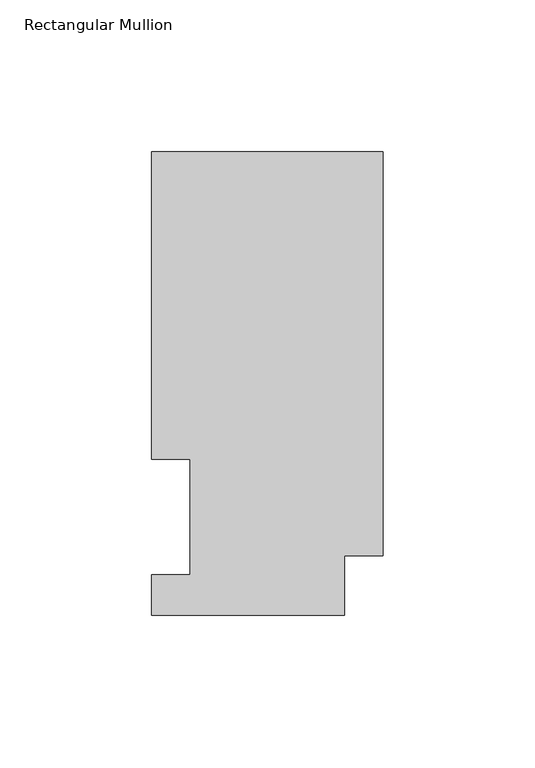
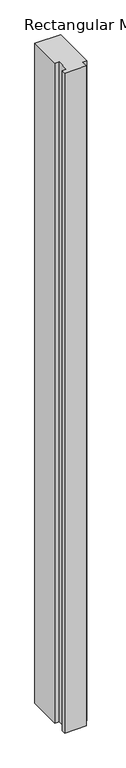
"""IFC4 building model written with IfcOpenShell, lengths in millimetres: member geometry, Rectangular Mullion."""

from ifc_helpers import new_model, si_unit, frame, origin, place, context, project, spatial, polyline, outline, extrude, source, transform, mapped, element, save


def rectangular_mullion_8a1befdd(model_context):
    return source(origin(), model_context, "Body", "SweptSolid", [
        extrude(outline(polyline([(0.0, 152.4896937), (0.0, 19.5455957), (-12.7, 19.5455957), (-12.7, 0.0134938), (-76.2, 0.0134938), (-76.2, 13.1960938), (-63.5, 13.1960938), (-63.5, 51.2960937), (-76.2, 51.2960937), (-76.2, 152.4896937), (0.0, 152.4896937)])), frame((0.0, 0.0, -2057.4), z_axis=(0.0, 0.0, 1.0), x_axis=(1.0, 0.0, 0.0)), (0.0, 0.0, 1.0), 2057.4),
    ])


if __name__ == "__main__":
    model = new_model("IFC4")
    model_context = context("Model", 3, world=origin())
    ifc_project = project(units=[si_unit("LENGTHUNIT", "METRE", prefix="MILLI")], contexts=[model_context])
    site = spatial("IfcSite", under=ifc_project)
    building = spatial("IfcBuilding", under=site)
    placement = place(None, origin())
    rectangular_mullion_shape = rectangular_mullion_8a1befdd(model_context)
    element("IfcMember", 1, ObjectType="Rectangular Mullion", at=placement, inside=building, context=model_context, shape_type="MappedRepresentation", body=[
        mapped(rectangular_mullion_shape, transform((0.0, 0.0, 0.0), x_axis=(1.0, 0.0, 0.0), y_axis=(0.0, 1.0, 0.0), z_axis=(0.0, 0.0, 1.0))),
    ])
    save(model, "model.ifc")
